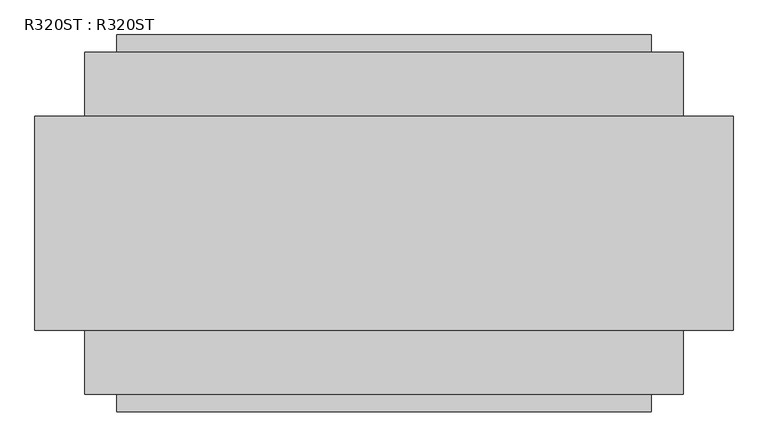
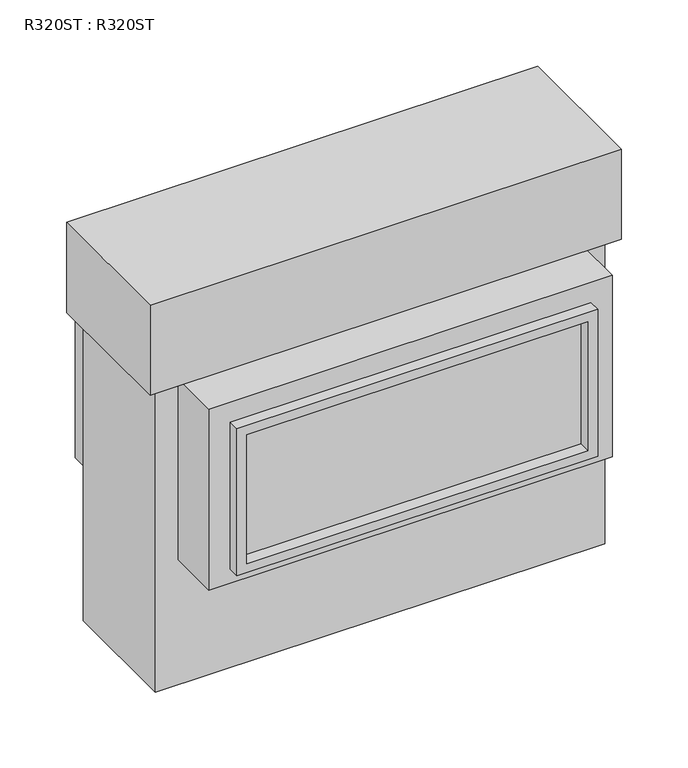
"""IFC4 building model written with IfcOpenShell, lengths in millimetres: proxy geometry, R320ST : R320ST."""

from ifc_helpers import new_model, si_unit, frame, origin, origin_with_axes, place, context, project, spatial, polyline, outline, extrude, source, transform, mapped, element, save


def r320st_r320st_d3f51cee(model_context):
    return source(origin(), model_context, "Body", "SweptSolid", [
        extrude(outline(polyline([(383.7939923, 471.4875), (790.1939923, 471.4875), (790.1939923, -471.4875), (383.7939923, -471.4875), (383.7939923, 471.4875)]), holes=[polyline([(764.7939923, 446.0875), (409.1939923, 446.0875), (409.1939923, -446.0875), (764.7939923, -446.0875), (764.7939923, 446.0875)])]), frame((0.0, 301.5487979, 0.0), z_axis=(0.0, 1.0, 0.0), x_axis=(0.0, 0.0, 1.0)), (0.0, 0.0, 1.0), 30.8572054),
        extrude(outline(polyline([(383.7939923, 471.4875), (790.1939923, 471.4875), (790.1939923, -471.4875), (383.7939923, -471.4875), (383.7939923, 471.4875)]), holes=[polyline([(764.7939923, 446.0875), (409.1939923, 446.0875), (409.1939923, -446.0875), (764.7939923, -446.0875), (764.7939923, 446.0875)])]), frame((0.0, -332.4060033, 0.0), z_axis=(0.0, 1.0, 0.0), x_axis=(0.0, 0.0, 1.0)), (0.0, 0.0, 1.0), 30.8572054),
        extrude(outline(polyline([(-527.7103782, 301.5487979), (527.7104, 301.5487979), (527.7104, 163.5125), (-527.7103782, 163.5125), (-527.7103782, 301.5487979)])), frame((0.0, 0.0, 345.2875465), z_axis=(0.0, 0.0, 1.0), x_axis=(1.0, 0.0, 0.0)), (0.0, 0.0, 1.0), 500.8372217),
        extrude(outline(polyline([(527.7104, -301.5487979), (-527.7103782, -301.5487979), (-527.7103782, -163.5125), (527.7104, -163.5125), (527.7104, -301.5487979)])), frame((0.0, 0.0, 345.2875465), z_axis=(0.0, 0.0, 1.0), x_axis=(1.0, 0.0, 0.0)), (0.0, 0.0, 1.0), 500.8372217),
        extrude(outline(polyline([(615.95, 188.9125), (615.95, -188.9125), (-615.95, -188.9125), (-615.95, 188.9125), (615.95, 188.9125)])), frame((0.0, 0.0, 846.1247683), z_axis=(0.0, 0.0, 1.0), x_axis=(1.0, 0.0, 0.0)), (0.0, 0.0, 1.0), 249.1993904),
        extrude(outline(polyline([(587.375, 163.5125), (587.375, -163.5125), (-587.375, -163.5125), (-587.375, 163.5125), (587.375, 163.5125)])), origin_with_axes(), (0.0, 0.0, 1.0), 846.1247683),
    ])


if __name__ == "__main__":
    model = new_model("IFC4")
    model_context = context("Model", 3, world=origin())
    ifc_project = project(units=[si_unit("LENGTHUNIT", "METRE", prefix="MILLI")], contexts=[model_context])
    site = spatial("IfcSite", under=ifc_project)
    building = spatial("IfcBuilding", under=site)
    placement = place(None, origin())
    r320st_r320st_shape = r320st_r320st_d3f51cee(model_context)
    element("IfcBuildingElementProxy", 1, Name="R320ST : R320ST", ObjectType="R320ST : R320ST", at=placement, inside=building, context=model_context, shape_type="MappedRepresentation", body=[
        mapped(r320st_r320st_shape, transform((0.0, 0.0, 0.0), x_axis=(1.0, 0.0, 0.0), y_axis=(0.0, 1.0, 0.0), z_axis=(0.0, 0.0, 1.0))),
    ])
    save(model, "model.ifc")
